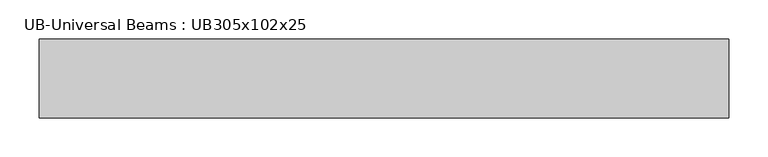
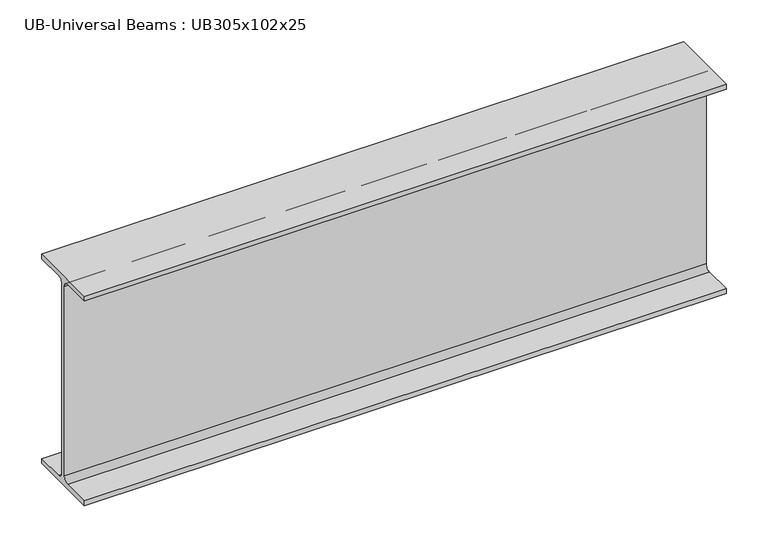
"""IFC4 building model written with IfcOpenShell, lengths in millimetres: beam geometry, UB-Universal Beams : UB305x102x25."""

from ifc_helpers import new_model, si_unit, point, frame, frame_2d, origin, place, context, project, spatial, polyline, circle_curve, trimmed, segment, composite_curve, outline, extrude, source, transform, mapped, element, save


def ub_universal_beams_ub305x102x25_70bde2f7(model_context):
    return source(origin(), model_context, "Body", "SweptSolid", [
        extrude(outline(composite_curve([segment(polyline([(50.8, -145.55), (50.8, -152.55), (-50.8, -152.55), (-50.8, -145.55), (-10.5, -145.55)]), True, "CONTINUOUS"), segment(trimmed(circle_curve(frame_2d((-10.5, -137.95)), 7.6), [point((-10.5, -145.55))], [point((-2.9, -137.95))], True, "CARTESIAN"), True, "CONTINUOUS"), segment(polyline([(-2.9, -137.95), (-2.9, 137.95)]), True, "CONTINUOUS"), segment(trimmed(circle_curve(frame_2d((-10.5, 137.95)), 7.6), [point((-2.9, 137.95))], [point((-10.5, 145.55))], True, "CARTESIAN"), True, "CONTINUOUS"), segment(polyline([(-10.5, 145.55), (-50.8, 145.55), (-50.8, 152.55), (50.8, 152.55), (50.8, 145.55), (10.5, 145.55)]), True, "CONTINUOUS"), segment(trimmed(circle_curve(frame_2d((10.5, 137.95)), 7.6), [point((10.5, 145.55))], [point((2.9, 137.95))], True, "CARTESIAN"), True, "CONTINUOUS"), segment(polyline([(2.9, 137.95), (2.9, -137.95)]), True, "CONTINUOUS"), segment(trimmed(circle_curve(frame_2d((10.5, -137.95)), 7.6), [point((2.9, -137.95))], [point((10.5, -145.55))], True, "CARTESIAN"), True, "CONTINUOUS"), segment(polyline([(10.5, -145.55), (50.8, -145.55)]), True, "CONTINUOUS")], self_intersect=False)), frame((-403.8, 0.0, 0.0), z_axis=(1.0, 0.0, 0.0), x_axis=(0.0, 1.0, 0.0)), (0.0, 0.0, 1.0), 883.8),
    ])


if __name__ == "__main__":
    model = new_model("IFC4")
    model_context = context("Model", 3, world=origin())
    ifc_project = project(units=[si_unit("LENGTHUNIT", "METRE", prefix="MILLI")], contexts=[model_context])
    site = spatial("IfcSite", under=ifc_project)
    building = spatial("IfcBuilding", under=site)
    placement = place(None, origin())
    ub_universal_beams_ub305x102x25_shape = ub_universal_beams_ub305x102x25_70bde2f7(model_context)
    element("IfcBeam", 1, ObjectType="UB-Universal Beams : UB305x102x25", at=placement, inside=building, context=model_context, shape_type="MappedRepresentation", body=[
        mapped(ub_universal_beams_ub305x102x25_shape, transform((0.0, 0.0, 0.0), x_axis=(1.0, 0.0, 0.0), y_axis=(0.0, 1.0, 0.0), z_axis=(0.0, 0.0, 1.0))),
    ])
    save(model, "model.ifc")
